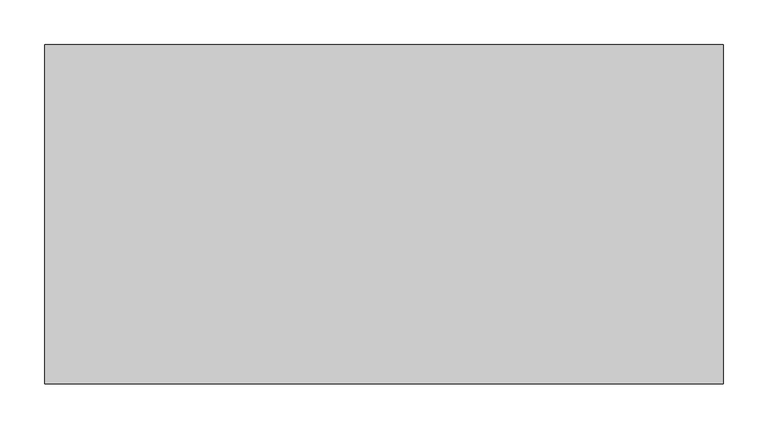
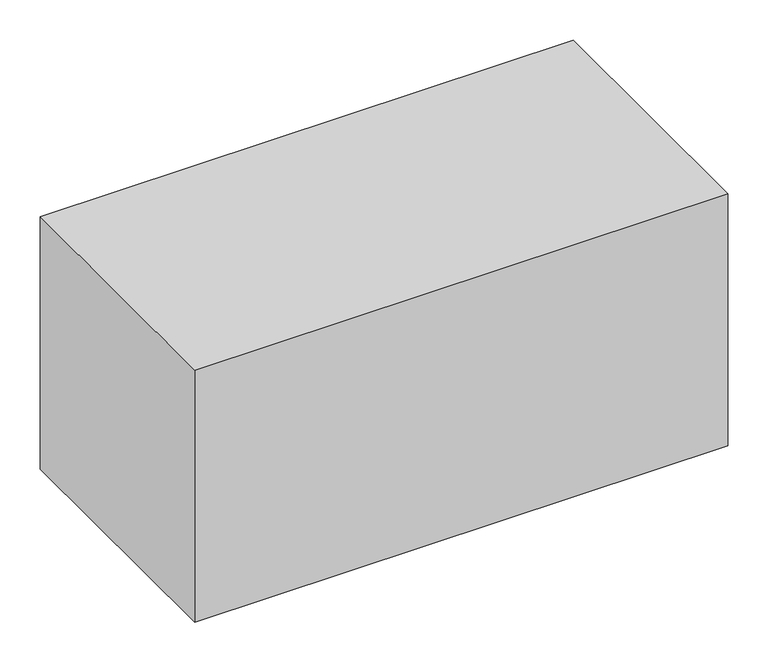
"""IFC4 building model written with IfcOpenShell, lengths in millimetres: furniture geometry."""

from ifc_helpers import new_model, si_unit, origin, place, context, project, spatial, faceted_brep, source, transform, mapped, element, save


def furniture_91a59093(model_context):
    return source(origin(), model_context, "Body", "Brep", [
        faceted_brep([(370.4084682, 381.0, 1306.1696643), (370.4084682, 20.1675917, 1306.1696643), (370.4084682, 20.1675917, 1646.8343357), (370.4084682, 381.0, 1646.8343357), (0.0, 381.0, 1667.002), (760.984, 381.0, 1667.002), (760.984, 381.0, 1286.002), (0.0, 381.0, 1286.002), (20.1673737, 381.0, 1646.8343357), (20.1673737, 381.0, 1306.1696643), (390.5755318, 381.0, 1306.1696643), (740.8166263, 381.0, 1306.1696643), (740.8166263, 381.0, 1646.8343357), (390.5755318, 381.0, 1646.8343357), (390.5755318, 20.1675917, 1646.8343357), (390.5755318, 20.1675917, 1306.1696643), (740.8166263, 20.1675917, 1306.1696643), (20.1673737, 20.1675917, 1306.1696643), (0.0, 0.0, 1286.002), (760.984, 0.0, 1286.002), (0.0, 0.0, 1667.002), (760.984, 0.0, 1667.002), (20.1673737, 20.1675917, 1646.8343357), (740.8166263, 20.1675917, 1646.8343357)], [[[0, 1, 2, 3]], [[4, 5, 6, 7], [3, 8, 9, 0], [10, 11, 12, 13]], [[13, 14, 15, 10]], [[10, 15, 16, 11]], [[9, 17, 1, 0]], [[18, 7, 6, 19]], [[20, 21, 5, 4]], [[4, 7, 18, 20]], [[9, 8, 22, 17]], [[1, 17, 22, 2]], [[14, 23, 16, 15]], [[16, 23, 12, 11]], [[21, 19, 6, 5]], [[20, 18, 19, 21]], [[3, 2, 22, 8]], [[12, 23, 14, 13]]]),
    ])


if __name__ == "__main__":
    model = new_model("IFC4")
    model_context = context("Model", 3, world=origin())
    ifc_project = project(units=[si_unit("LENGTHUNIT", "METRE", prefix="MILLI")], contexts=[model_context])
    site = spatial("IfcSite", under=ifc_project)
    building = spatial("IfcBuilding", under=site)
    placement = place(None, origin())
    furniture_shape = furniture_91a59093(model_context)
    element("IfcFurniture", 1, at=placement, inside=building, context=model_context, shape_type="MappedRepresentation", body=[
        mapped(furniture_shape, transform((0.0, 0.0, 0.0), x_axis=(1.0, 0.0, 0.0), y_axis=(0.0, 1.0, 0.0), z_axis=(0.0, 0.0, 1.0))),
    ])
    save(model, "model.ifc")
